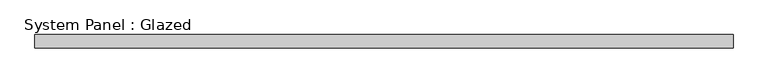
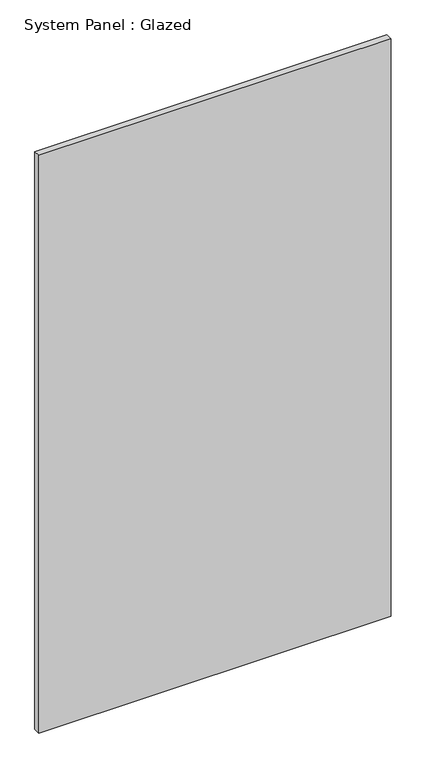
"""IFC4 building model written with IfcOpenShell, lengths in millimetres: plate geometry, System Panel : Glazed."""

import ifcopenshell
import ifcopenshell.guid

model = None  # the IFC model being written
_history = None  # IfcOwnerHistory: only IFC2X3 demands one
_inside = {}  # id of a spatial element -> (the spatial element, [elements in it])
_under = {}  # id of a project, library or spatial element -> (it, [spatial elements below it])
_declared = {}  # id of a project -> (the project, [libraries it declares])
_typed = {}  # id of a type object -> (the type object, [elements of that type])
_made_of = {}  # id of a material, layer set ... -> (it, [elements and type objects made of it])


def new_model(schema):
    """Start an empty IFC model of exactly this schema.

    Asked for "IFC4X3", IfcOpenShell would pick the latest addendum, in which some entities
    have other attributes; the version numbers below select the first issue.
    IFC2X3 requires an IfcOwnerHistory on every rooted entity: one is made here for all.
    """
    global model, _history
    if schema == "IFC4X3":
        model = ifcopenshell.file(schema_version=(4, 3, 0, 0))
    else:
        model = ifcopenshell.file(schema=schema)
    _inside.clear()
    _under.clear()
    _declared.clear()
    _typed.clear()
    _made_of.clear()
    _history = None
    if model.schema == "IFC2X3":
        org = make("IfcOrganization", Name="unknown")
        user = make(
            "IfcPersonAndOrganization",
            ThePerson=make("IfcPerson", FamilyName="unknown"),
            TheOrganization=org,
        )
        app = make(
            "IfcApplication",
            ApplicationDeveloper=org,
            Version="unknown",
            ApplicationFullName="unknown",
            ApplicationIdentifier="unknown",
        )
        _history = make(
            "IfcOwnerHistory",
            OwningUser=user,
            OwningApplication=app,
            ChangeAction="ADDED",
            CreationDate=0,
        )
    return model


def make(cls, **values):
    """One entity of the class cls with the attributes given. An attribute that is None is left unset."""
    return model.create_entity(
        cls, **{name: value for name, value in values.items() if value is not None}
    )


def rooted(cls, **values):
    """An entity with a GlobalId (a new one), such as an element, a storey or a relation."""
    return make(cls, GlobalId=ifcopenshell.guid.new(), OwnerHistory=_history, **values)


def si_unit(unit_type, name, prefix=None):
    """IfcSIUnit, for example si_unit("LENGTHUNIT", "METRE", prefix="MILLI")."""
    return make("IfcSIUnit", UnitType=unit_type, Prefix=prefix, Name=name)


def assignment(units):
    """IfcUnitAssignment: the units of a project."""
    return None if units is None else make("IfcUnitAssignment", Units=units)


def point(xyz):
    """IfcCartesianPoint."""
    return None if xyz is None else make("IfcCartesianPoint", Coordinates=xyz)


def direction(xyz):
    """IfcDirection."""
    return None if xyz is None else make("IfcDirection", DirectionRatios=xyz)


def frame(location, z_axis=None, x_axis=None):
    """IfcAxis2Placement3D, a coordinate frame: its origin and axes. An axis left out is left unset."""
    return make(
        "IfcAxis2Placement3D",
        Location=point(location),
        Axis=direction(z_axis),
        RefDirection=direction(x_axis),
    )


def origin():
    """The frame at (0, 0, 0) with its axes left unset."""
    return frame((0.0, 0.0, 0.0))


def origin_with_axes():
    """The frame at (0, 0, 0) with the z axis (0, 0, 1) and the x axis (1, 0, 0) written out."""
    return frame((0.0, 0.0, 0.0), z_axis=(0.0, 0.0, 1.0), x_axis=(1.0, 0.0, 0.0))


def place(relative_to, where):
    """IfcLocalPlacement: puts the frame where relative to a parent placement (None: the world)."""
    return make(
        "IfcLocalPlacement", PlacementRelTo=relative_to, RelativePlacement=where
    )


def context(
    kind, dimensions, precision=None, world=None, true_north=None, identifier=None
):
    """IfcGeometricRepresentationContext, for example the 3D "Model" context."""
    return make(
        "IfcGeometricRepresentationContext",
        ContextIdentifier=identifier,
        ContextType=kind,
        CoordinateSpaceDimension=dimensions,
        Precision=precision,
        WorldCoordinateSystem=world,
        TrueNorth=true_north,
    )


def project(units=None, contexts=None):
    """IfcProject with its units and contexts."""
    return rooted(
        "IfcProject",
        Name="project",
        RepresentationContexts=contexts,
        UnitsInContext=assignment(units),
    )


def spatial(cls, under=None, at=None, **own):
    """A site, building, storey or space (cls), placed at a placement, below another one or the project."""
    s = rooted(cls, ObjectPlacement=at, **own)
    if under is not None:
        _under.setdefault(under.id(), (under, []))[1].append(s)
    return s


def polyline(points):
    """IfcPolyline through the points."""
    return make("IfcPolyline", Points=[point(p) for p in points])


def outline(outer, holes=None, kind="AREA"):
    """IfcArbitraryClosedProfileDef: a profile drawn as a closed curve; with holes, ...WithVoids."""
    if holes is None:
        return make("IfcArbitraryClosedProfileDef", ProfileType=kind, OuterCurve=outer)
    return make(
        "IfcArbitraryProfileDefWithVoids",
        ProfileType=kind,
        OuterCurve=outer,
        InnerCurves=holes,
    )


def extrude(swept, where, along, depth):
    """IfcExtrudedAreaSolid: the profile swept, set in the frame where, extruded along a direction by depth."""
    return make(
        "IfcExtrudedAreaSolid",
        SweptArea=swept,
        Position=where,
        ExtrudedDirection=direction(along),
        Depth=depth,
    )


def shape(context_of_items, identifier, shape_type, items):
    """IfcShapeRepresentation: the items that make up one representation, for example the "Body"."""
    return make(
        "IfcShapeRepresentation",
        ContextOfItems=context_of_items,
        RepresentationIdentifier=identifier,
        RepresentationType=shape_type,
        Items=items,
    )


def source(mapping_origin, context_of_items, identifier, shape_type, items):
    """IfcRepresentationMap: a shape defined once, which mapped items show again and again."""
    return make(
        "IfcRepresentationMap",
        MappingOrigin=mapping_origin,
        MappedRepresentation=shape(context_of_items, identifier, shape_type, items),
    )


def transform(
    local_origin,
    x_axis=None,
    y_axis=None,
    z_axis=None,
    scale=None,
    scale2=None,
    scale3=None,
    uniform=True,
):
    """IfcCartesianTransformationOperator3D, or its non-uniform kind. x_axis, y_axis, z_axis: its Axis1, 2, 3."""
    if uniform:
        return make(
            "IfcCartesianTransformationOperator3D",
            Axis1=direction(x_axis),
            Axis2=direction(y_axis),
            LocalOrigin=point(local_origin),
            Scale=scale,
            Axis3=direction(z_axis),
        )
    return make(
        "IfcCartesianTransformationOperator3DnonUniform",
        Axis1=direction(x_axis),
        Axis2=direction(y_axis),
        LocalOrigin=point(local_origin),
        Scale=scale,
        Axis3=direction(z_axis),
        Scale2=scale2,
        Scale3=scale3,
    )


def mapped(mapping_source, mapping_target):
    """IfcMappedItem: shows the shape of a source again, moved by a transform."""
    return make(
        "IfcMappedItem", MappingSource=mapping_source, MappingTarget=mapping_target
    )


def made_of(thing, what):
    """Note that an element or type object is made of a material, layer set ...; save() writes the relation."""
    if what is not None:
        _made_of.setdefault(what.id(), (what, []))[1].append(thing)
    return thing


def element(
    cls,
    number,
    at=None,
    inside=None,
    cuts=None,
    type_object=None,
    material=None,
    context=None,
    identifier="Body",
    shape_type=None,
    held_by="IfcProductDefinitionShape",
    body=None,
    shapes=None,
    **own,
):
    """One element of the class cls, such as IfcWall. Its Tag is "e" and its number.

    at: its placement. inside: the storey or other place that contains it. cuts: it is an
    opening in that element (IfcRelVoidsElement). A single representation is given by context,
    identifier, shape_type and body (its items); several are given by shapes. held_by: the class
    of the entity that holds the representations. save() writes the other relations.
    """
    e = rooted(cls, Tag="e%d" % number, ObjectPlacement=at, **own)
    if body is not None:
        shapes = [shape(context, identifier, shape_type, body)]
    if shapes is not None:
        e.Representation = make(held_by, Representations=shapes)
    if inside is not None:
        _inside.setdefault(inside.id(), (inside, []))[1].append(e)
    if cuts is not None:
        rooted(
            "IfcRelVoidsElement", RelatingBuildingElement=cuts, RelatedOpeningElement=e
        )
    if type_object is not None:
        _typed.setdefault(type_object.id(), (type_object, []))[1].append(e)
    return made_of(e, material)


def aggregate(whole, parts):
    """IfcRelAggregates: a whole, such as a stair, and the parts it consists of."""
    return rooted("IfcRelAggregates", RelatingObject=whole, RelatedObjects=parts)


def save(model, path):
    """Write the relations noted so far, then the file.

    IfcRelAggregates (storeys below a building ...), IfcRelContainedInSpatialStructure (elements
    in a storey), IfcRelDefinesByType, IfcRelAssociatesMaterial and IfcRelDeclares: one each for
    every whole, place, type object, material and project.
    """
    for whole, parts in _under.values():
        aggregate(whole, parts)
    for where, things in _inside.values():
        rooted(
            "IfcRelContainedInSpatialStructure",
            RelatedElements=things,
            RelatingStructure=where,
        )
    for kind, things in _typed.values():
        rooted("IfcRelDefinesByType", RelatedObjects=things, RelatingType=kind)
    for what, things in _made_of.values():
        rooted("IfcRelAssociatesMaterial", RelatedObjects=things, RelatingMaterial=what)
    for by, libraries in _declared.values():
        rooted("IfcRelDeclares", RelatingContext=by, RelatedDefinitions=libraries)
    model.write(path)


def system_panel_glazed_d087fe3c(model_context):
    return source(origin(), model_context, "Body", "SweptSolid", [
        extrude(outline(polyline([(676.275, -44.45), (-676.275, -44.45), (-676.275, -19.05), (676.275, -19.05), (676.275, -44.45)])), origin_with_axes(), (0.0, 0.0, 1.0), 2343.15),
    ])


if __name__ == "__main__":
    model = new_model("IFC4")
    model_context = context("Model", 3, world=origin())
    ifc_project = project(units=[si_unit("LENGTHUNIT", "METRE", prefix="MILLI")], contexts=[model_context])
    site = spatial("IfcSite", under=ifc_project)
    building = spatial("IfcBuilding", under=site)
    placement = place(None, origin())
    system_panel_glazed_shape = system_panel_glazed_d087fe3c(model_context)
    element("IfcPlate", 1, ObjectType="System Panel : Glazed", at=placement, inside=building, context=model_context, shape_type="MappedRepresentation", body=[
        mapped(system_panel_glazed_shape, transform((0.0, 0.0, 0.0), x_axis=(1.0, 0.0, 0.0), y_axis=(0.0, 1.0, 0.0), z_axis=(0.0, 0.0, 1.0))),
    ])
    save(model, "model.ifc")
